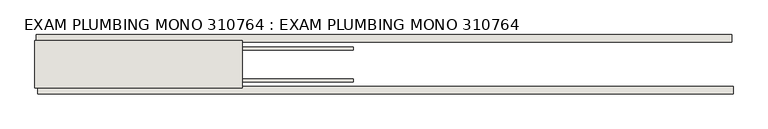
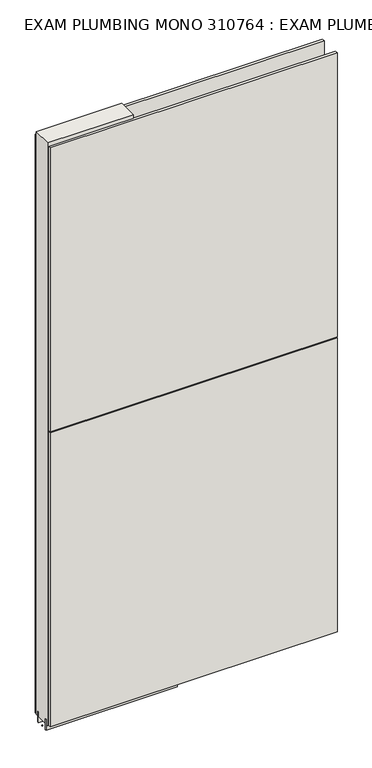
"""IFC4 building model written with IfcOpenShell, lengths in millimetres: wall geometry, EXAM PLUMBING MONO 310764 : EXAM PLUMBING MONO 310764."""

from ifc_helpers import new_model, si_unit, frame, origin, place, context, project, spatial, polyline, outline, extrude, source, transform, mapped, element, save


def exam_plumbing_mono_310764_exam_plumbing_mono_310764_bfe06d4a(model_context):
    return source(origin(), model_context, "Body", "SweptSolid", [
        extrude(outline(polyline([(68615.655504, -53335.9245954), (68613.115504, -53335.9245954), (68613.115504, -53333.3845954), (68615.655504, -53333.3845954), (68615.655504, -53335.9245954)])), frame((0.0, 0.0, 4419.6), z_axis=(0.0, 0.0, 1.0), x_axis=(1.0, 0.0, 0.0)), (0.0, 0.0, 1.0), 2.54),
        extrude(outline(polyline([(68615.1121091, -53283.8545954), (69808.6123129, -53283.8545954), (69808.6123129, -53296.5545954), (68615.1121091, -53296.5545954), (68615.1121091, -53283.8545954)])), frame((0.0, 0.0, 4445.0), z_axis=(0.0, 0.0, 1.0), x_axis=(1.0, 0.0, 0.0)), (0.0, 0.0, 1.0), 2545.0498756),
        extrude(outline(polyline([(69811.0803801, -53385.4545954), (68617.5801763, -53385.4545954), (68617.5801763, -53372.7545954), (69811.0803801, -53372.7545954), (69811.0803801, -53385.4545954)])), frame((0.0, 0.0, 4445.0), z_axis=(0.0, 0.0, 1.0), x_axis=(1.0, 0.0, 0.0)), (0.0, 0.0, 1.0), 1293.400004),
        extrude(outline(polyline([(69811.0803801, -53385.4545954), (68617.5801763, -53385.4545954), (68617.5801763, -53372.7545954), (69811.0803801, -53372.7545954), (69811.0803801, -53385.4545954)])), frame((0.0, 0.0, 5742.4000722), z_axis=(0.0, 0.0, 1.0), x_axis=(1.0, 0.0, 0.0)), (0.0, 0.0, 1.0), 1247.649905),
        extrude(outline(polyline([(69159.220457, -53309.5708508), (68613.120457, -53309.5708508), (68613.120457, -53304.4920954), (69159.220457, -53304.4920954), (69159.220457, -53309.5708508)])), frame((0.0, 0.0, 4418.6602), z_axis=(0.0, 0.0, 1.0), x_axis=(1.0, 0.0, 0.0)), (0.0, 0.0, 1.0), 47.625),
        extrude(outline(polyline([(69159.220457, -53309.5708508), (68613.120457, -53309.5708508), (68613.120457, -53304.4920954), (69159.220457, -53304.4920954), (69159.220457, -53309.5708508)])), frame((0.0, 0.0, 4418.6602), z_axis=(0.0, 0.0, 1.0), x_axis=(1.0, 0.0, 0.0)), (0.0, 0.0, 1.0), 47.625),
        extrude(outline(polyline([(68613.120457, -53359.73834), (69159.220457, -53359.73834), (69159.220457, -53364.8170954), (68613.120457, -53364.8170954), (68613.120457, -53359.73834)])), frame((0.0, 0.0, 4418.6602), z_axis=(0.0, 0.0, 1.0), x_axis=(1.0, 0.0, 0.0)), (0.0, 0.0, 1.0), 47.625),
        extrude(outline(polyline([(68613.120457, -53359.73834), (69159.220457, -53359.73834), (69159.220457, -53364.8170954), (68613.120457, -53364.8170954), (68613.120457, -53359.73834)])), frame((0.0, 0.0, 4418.6602), z_axis=(0.0, 0.0, 1.0), x_axis=(1.0, 0.0, 0.0)), (0.0, 0.0, 1.0), 47.625),
        extrude(outline(polyline([(68968.720457, -53293.999711), (68968.720457, -53375.3032822), (68613.120457, -53375.3032822), (68613.120457, -53293.999711), (68968.720457, -53293.999711)])), frame((0.0, 0.0, 4445.0), z_axis=(0.0, 0.0, 1.0), x_axis=(1.0, 0.0, 0.0)), (0.0, 0.0, 1.0), 2562.4536762),
    ])


if __name__ == "__main__":
    model = new_model("IFC4")
    model_context = context("Model", 3, world=origin())
    ifc_project = project(units=[si_unit("LENGTHUNIT", "METRE", prefix="MILLI")], contexts=[model_context])
    site = spatial("IfcSite", under=ifc_project)
    building = spatial("IfcBuilding", under=site)
    placement = place(None, origin())
    exam_plumbing_mono_310764_exam_plumbing_mono_310764_shape = exam_plumbing_mono_310764_exam_plumbing_mono_310764_bfe06d4a(model_context)
    element("IfcWall", 1, ObjectType="EXAM PLUMBING MONO 310764 : EXAM PLUMBING MONO 310764", at=placement, inside=building, context=model_context, shape_type="MappedRepresentation", body=[
        mapped(exam_plumbing_mono_310764_exam_plumbing_mono_310764_shape, transform((0.0, 0.0, 0.0), x_axis=(1.0, 0.0, 0.0), y_axis=(0.0, 1.0, 0.0), z_axis=(0.0, 0.0, 1.0))),
    ])
    save(model, "model.ifc")
